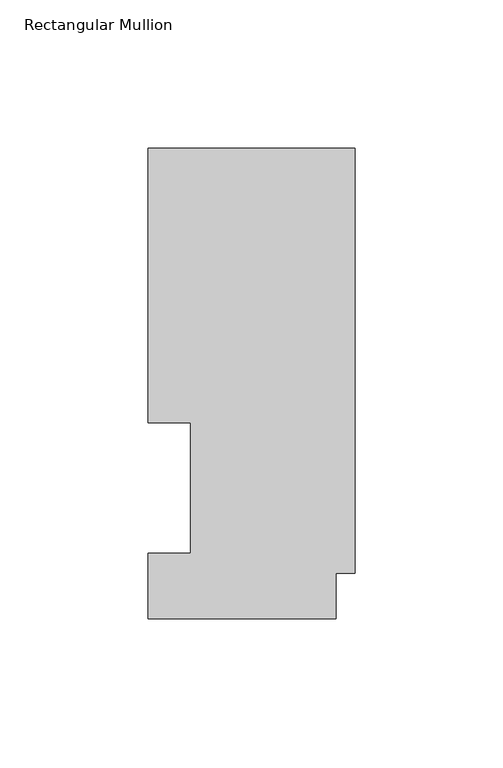
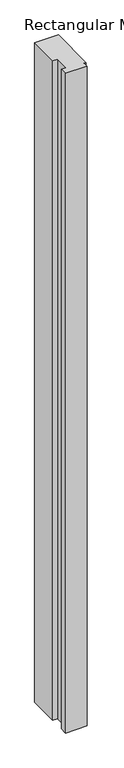
"""IFC4 building model written with IfcOpenShell, lengths in millimetres: member geometry, Rectangular Mullion."""

from ifc_helpers import new_model, si_unit, frame, origin, place, context, project, spatial, polyline, outline, extrude, source, transform, mapped, element, save


def rectangular_mullion_f8623a74(model_context):
    return source(origin(), model_context, "Body", "SweptSolid", [
        extrude(outline(polyline([(0.0, 158.7388875), (0.0, 15.3812875), (-6.35, 15.3812875), (-6.35, -0.0080424), (-69.85, -0.0080424), (-69.85, 22.1122875), (-55.5625, 22.1122875), (-55.5625, 66.0796875), (-69.85, 66.0796875), (-69.85, 158.7388875), (0.0, 158.7388875)])), frame((0.0, 0.0, -2063.75), z_axis=(0.0, 0.0, 1.0), x_axis=(1.0, 0.0, 0.0)), (0.0, 0.0, 1.0), 2063.75),
    ])


if __name__ == "__main__":
    model = new_model("IFC4")
    model_context = context("Model", 3, world=origin())
    ifc_project = project(units=[si_unit("LENGTHUNIT", "METRE", prefix="MILLI")], contexts=[model_context])
    site = spatial("IfcSite", under=ifc_project)
    building = spatial("IfcBuilding", under=site)
    placement = place(None, origin())
    rectangular_mullion_shape = rectangular_mullion_f8623a74(model_context)
    element("IfcMember", 1, ObjectType="Rectangular Mullion", at=placement, inside=building, context=model_context, shape_type="MappedRepresentation", body=[
        mapped(rectangular_mullion_shape, transform((0.0, 0.0, 0.0), x_axis=(1.0, 0.0, 0.0), y_axis=(0.0, 1.0, 0.0), z_axis=(0.0, 0.0, 1.0))),
    ])
    save(model, "model.ifc")
